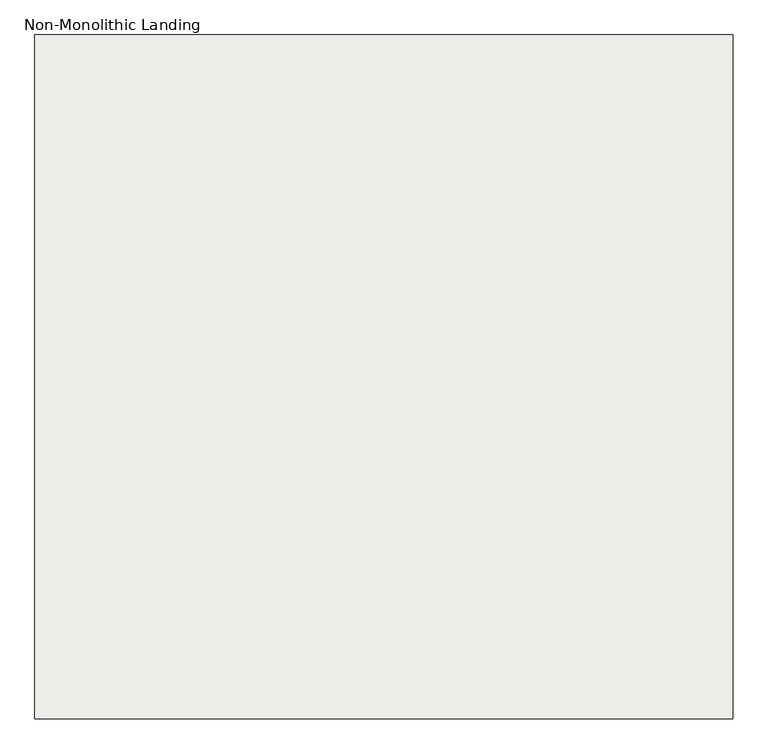
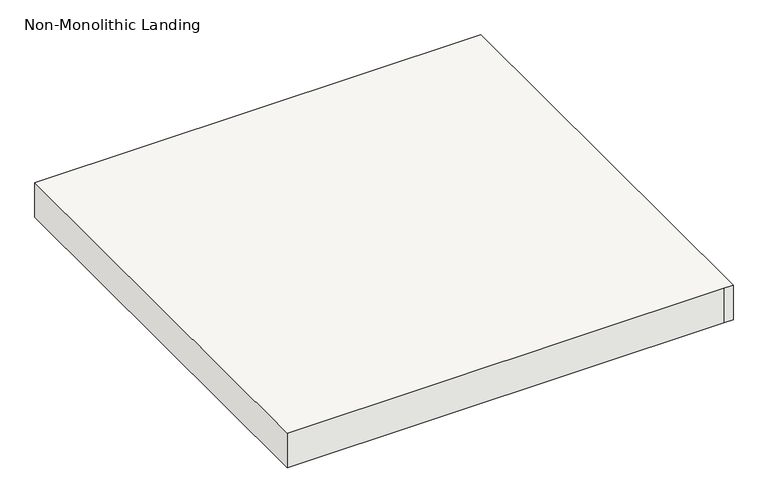
"""IFC4 building model written with IfcOpenShell, lengths in millimetres: slab geometry, Non-Monolithic Landing."""

import ifcopenshell
import ifcopenshell.guid

model = None  # the IFC model being written
_history = None  # IfcOwnerHistory: only IFC2X3 demands one
_inside = {}  # id of a spatial element -> (the spatial element, [elements in it])
_under = {}  # id of a project, library or spatial element -> (it, [spatial elements below it])
_declared = {}  # id of a project -> (the project, [libraries it declares])
_typed = {}  # id of a type object -> (the type object, [elements of that type])
_made_of = {}  # id of a material, layer set ... -> (it, [elements and type objects made of it])


def new_model(schema):
    """Start an empty IFC model of exactly this schema.

    Asked for "IFC4X3", IfcOpenShell would pick the latest addendum, in which some entities
    have other attributes; the version numbers below select the first issue.
    IFC2X3 requires an IfcOwnerHistory on every rooted entity: one is made here for all.
    """
    global model, _history
    if schema == "IFC4X3":
        model = ifcopenshell.file(schema_version=(4, 3, 0, 0))
    else:
        model = ifcopenshell.file(schema=schema)
    _inside.clear()
    _under.clear()
    _declared.clear()
    _typed.clear()
    _made_of.clear()
    _history = None
    if model.schema == "IFC2X3":
        org = make("IfcOrganization", Name="unknown")
        user = make(
            "IfcPersonAndOrganization",
            ThePerson=make("IfcPerson", FamilyName="unknown"),
            TheOrganization=org,
        )
        app = make(
            "IfcApplication",
            ApplicationDeveloper=org,
            Version="unknown",
            ApplicationFullName="unknown",
            ApplicationIdentifier="unknown",
        )
        _history = make(
            "IfcOwnerHistory",
            OwningUser=user,
            OwningApplication=app,
            ChangeAction="ADDED",
            CreationDate=0,
        )
    return model


def make(cls, **values):
    """One entity of the class cls with the attributes given. An attribute that is None is left unset."""
    return model.create_entity(
        cls, **{name: value for name, value in values.items() if value is not None}
    )


def rooted(cls, **values):
    """An entity with a GlobalId (a new one), such as an element, a storey or a relation."""
    return make(cls, GlobalId=ifcopenshell.guid.new(), OwnerHistory=_history, **values)


def si_unit(unit_type, name, prefix=None):
    """IfcSIUnit, for example si_unit("LENGTHUNIT", "METRE", prefix="MILLI")."""
    return make("IfcSIUnit", UnitType=unit_type, Prefix=prefix, Name=name)


def assignment(units):
    """IfcUnitAssignment: the units of a project."""
    return None if units is None else make("IfcUnitAssignment", Units=units)


def point(xyz):
    """IfcCartesianPoint."""
    return None if xyz is None else make("IfcCartesianPoint", Coordinates=xyz)


def direction(xyz):
    """IfcDirection."""
    return None if xyz is None else make("IfcDirection", DirectionRatios=xyz)


def frame(location, z_axis=None, x_axis=None):
    """IfcAxis2Placement3D, a coordinate frame: its origin and axes. An axis left out is left unset."""
    return make(
        "IfcAxis2Placement3D",
        Location=point(location),
        Axis=direction(z_axis),
        RefDirection=direction(x_axis),
    )


def origin():
    """The frame at (0, 0, 0) with its axes left unset."""
    return frame((0.0, 0.0, 0.0))


def place(relative_to, where):
    """IfcLocalPlacement: puts the frame where relative to a parent placement (None: the world)."""
    return make(
        "IfcLocalPlacement", PlacementRelTo=relative_to, RelativePlacement=where
    )


def context(
    kind, dimensions, precision=None, world=None, true_north=None, identifier=None
):
    """IfcGeometricRepresentationContext, for example the 3D "Model" context."""
    return make(
        "IfcGeometricRepresentationContext",
        ContextIdentifier=identifier,
        ContextType=kind,
        CoordinateSpaceDimension=dimensions,
        Precision=precision,
        WorldCoordinateSystem=world,
        TrueNorth=true_north,
    )


def project(units=None, contexts=None):
    """IfcProject with its units and contexts."""
    return rooted(
        "IfcProject",
        Name="project",
        RepresentationContexts=contexts,
        UnitsInContext=assignment(units),
    )


def spatial(cls, under=None, at=None, **own):
    """A site, building, storey or space (cls), placed at a placement, below another one or the project."""
    s = rooted(cls, ObjectPlacement=at, **own)
    if under is not None:
        _under.setdefault(under.id(), (under, []))[1].append(s)
    return s


def polyline(points):
    """IfcPolyline through the points."""
    return make("IfcPolyline", Points=[point(p) for p in points])


def outline(outer, holes=None, kind="AREA"):
    """IfcArbitraryClosedProfileDef: a profile drawn as a closed curve; with holes, ...WithVoids."""
    if holes is None:
        return make("IfcArbitraryClosedProfileDef", ProfileType=kind, OuterCurve=outer)
    return make(
        "IfcArbitraryProfileDefWithVoids",
        ProfileType=kind,
        OuterCurve=outer,
        InnerCurves=holes,
    )


def extrude(swept, where, along, depth):
    """IfcExtrudedAreaSolid: the profile swept, set in the frame where, extruded along a direction by depth."""
    return make(
        "IfcExtrudedAreaSolid",
        SweptArea=swept,
        Position=where,
        ExtrudedDirection=direction(along),
        Depth=depth,
    )


def shape(context_of_items, identifier, shape_type, items):
    """IfcShapeRepresentation: the items that make up one representation, for example the "Body"."""
    return make(
        "IfcShapeRepresentation",
        ContextOfItems=context_of_items,
        RepresentationIdentifier=identifier,
        RepresentationType=shape_type,
        Items=items,
    )


def source(mapping_origin, context_of_items, identifier, shape_type, items):
    """IfcRepresentationMap: a shape defined once, which mapped items show again and again."""
    return make(
        "IfcRepresentationMap",
        MappingOrigin=mapping_origin,
        MappedRepresentation=shape(context_of_items, identifier, shape_type, items),
    )


def transform(
    local_origin,
    x_axis=None,
    y_axis=None,
    z_axis=None,
    scale=None,
    scale2=None,
    scale3=None,
    uniform=True,
):
    """IfcCartesianTransformationOperator3D, or its non-uniform kind. x_axis, y_axis, z_axis: its Axis1, 2, 3."""
    if uniform:
        return make(
            "IfcCartesianTransformationOperator3D",
            Axis1=direction(x_axis),
            Axis2=direction(y_axis),
            LocalOrigin=point(local_origin),
            Scale=scale,
            Axis3=direction(z_axis),
        )
    return make(
        "IfcCartesianTransformationOperator3DnonUniform",
        Axis1=direction(x_axis),
        Axis2=direction(y_axis),
        LocalOrigin=point(local_origin),
        Scale=scale,
        Axis3=direction(z_axis),
        Scale2=scale2,
        Scale3=scale3,
    )


def mapped(mapping_source, mapping_target):
    """IfcMappedItem: shows the shape of a source again, moved by a transform."""
    return make(
        "IfcMappedItem", MappingSource=mapping_source, MappingTarget=mapping_target
    )


def made_of(thing, what):
    """Note that an element or type object is made of a material, layer set ...; save() writes the relation."""
    if what is not None:
        _made_of.setdefault(what.id(), (what, []))[1].append(thing)
    return thing


def element(
    cls,
    number,
    at=None,
    inside=None,
    cuts=None,
    type_object=None,
    material=None,
    context=None,
    identifier="Body",
    shape_type=None,
    held_by="IfcProductDefinitionShape",
    body=None,
    shapes=None,
    **own,
):
    """One element of the class cls, such as IfcWall. Its Tag is "e" and its number.

    at: its placement. inside: the storey or other place that contains it. cuts: it is an
    opening in that element (IfcRelVoidsElement). A single representation is given by context,
    identifier, shape_type and body (its items); several are given by shapes. held_by: the class
    of the entity that holds the representations. save() writes the other relations.
    """
    e = rooted(cls, Tag="e%d" % number, ObjectPlacement=at, **own)
    if body is not None:
        shapes = [shape(context, identifier, shape_type, body)]
    if shapes is not None:
        e.Representation = make(held_by, Representations=shapes)
    if inside is not None:
        _inside.setdefault(inside.id(), (inside, []))[1].append(e)
    if cuts is not None:
        rooted(
            "IfcRelVoidsElement", RelatingBuildingElement=cuts, RelatedOpeningElement=e
        )
    if type_object is not None:
        _typed.setdefault(type_object.id(), (type_object, []))[1].append(e)
    return made_of(e, material)


def aggregate(whole, parts):
    """IfcRelAggregates: a whole, such as a stair, and the parts it consists of."""
    return rooted("IfcRelAggregates", RelatingObject=whole, RelatedObjects=parts)


def save(model, path):
    """Write the relations noted so far, then the file.

    IfcRelAggregates (storeys below a building ...), IfcRelContainedInSpatialStructure (elements
    in a storey), IfcRelDefinesByType, IfcRelAssociatesMaterial and IfcRelDeclares: one each for
    every whole, place, type object, material and project.
    """
    for whole, parts in _under.values():
        aggregate(whole, parts)
    for where, things in _inside.values():
        rooted(
            "IfcRelContainedInSpatialStructure",
            RelatedElements=things,
            RelatingStructure=where,
        )
    for kind, things in _typed.values():
        rooted("IfcRelDefinesByType", RelatedObjects=things, RelatingType=kind)
    for what, things in _made_of.values():
        rooted("IfcRelAssociatesMaterial", RelatedObjects=things, RelatingMaterial=what)
    for by, libraries in _declared.values():
        rooted("IfcRelDeclares", RelatingContext=by, RelatedDefinitions=libraries)
    model.write(path)


def non_monolithic_landing_53973203(model_context):
    return source(origin(), model_context, "Body", "SweptSolid", [
        extrude(outline(polyline([(4154.9911339, 3150.3047045), (5374.1911339, 3150.3047045), (5399.5911339, 3150.3047045), (5399.5911339, 1931.1047045), (5374.1911339, 1931.1047045), (4154.9911339, 1931.1047045), (4154.9911339, 3150.3047045)])), frame((0.0, 0.0, 1422.4), z_axis=(0.0, 0.0, 1.0), x_axis=(1.0, 0.0, 0.0)), (0.0, 0.0, 1.0), 101.6),
    ])


if __name__ == "__main__":
    model = new_model("IFC4")
    model_context = context("Model", 3, world=origin())
    ifc_project = project(units=[si_unit("LENGTHUNIT", "METRE", prefix="MILLI")], contexts=[model_context])
    site = spatial("IfcSite", under=ifc_project)
    building = spatial("IfcBuilding", under=site)
    placement = place(None, origin())
    non_monolithic_landing_shape = non_monolithic_landing_53973203(model_context)
    element("IfcSlab", 1, ObjectType="Non-Monolithic Landing", at=placement, inside=building, context=model_context, shape_type="MappedRepresentation", body=[
        mapped(non_monolithic_landing_shape, transform((0.0, 0.0, 0.0), x_axis=(1.0, 0.0, 0.0), y_axis=(0.0, 1.0, 0.0), z_axis=(0.0, 0.0, 1.0))),
    ])
    save(model, "model.ifc")
